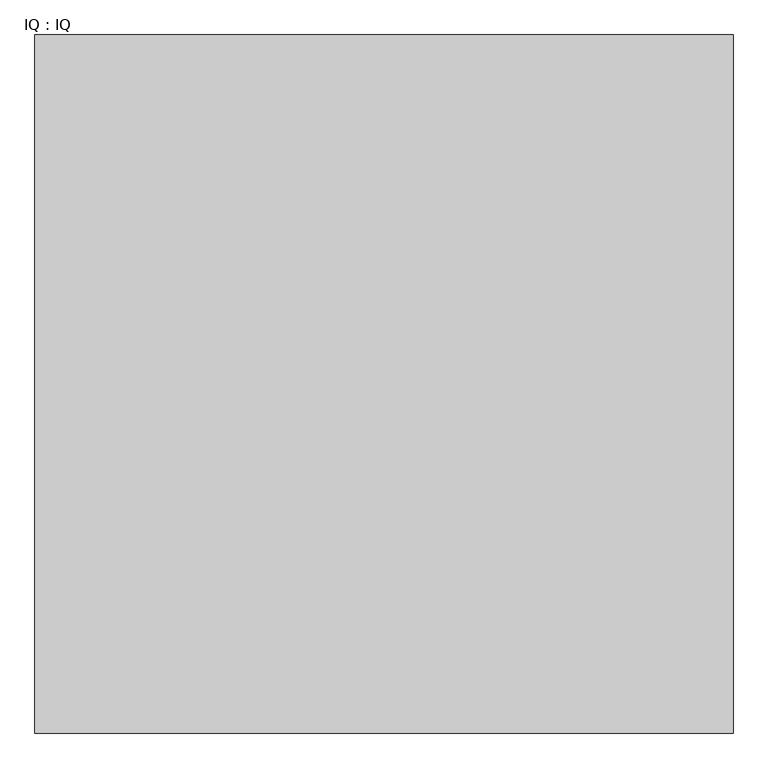
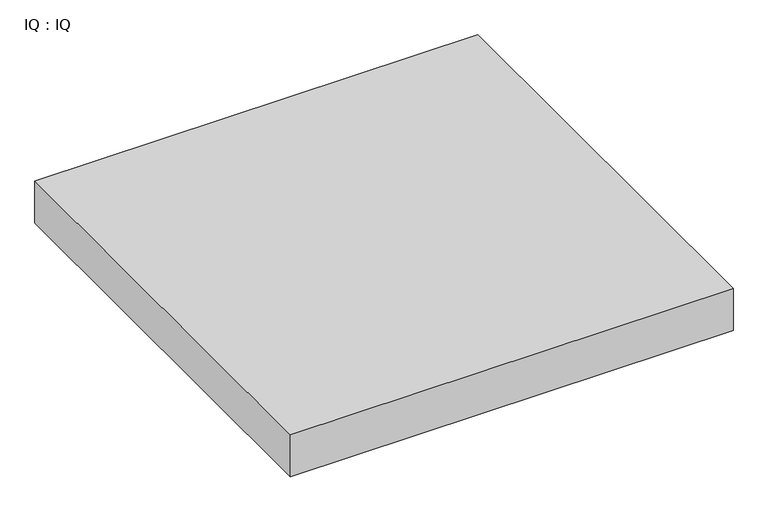
"""IFC4 building model written with IfcOpenShell, lengths in millimetres: proxy geometry, IQ : IQ."""

from ifc_helpers import new_model, si_unit, frame, origin, place, context, project, spatial, polyline, outline, extrude, source, transform, mapped, element, save


def iq_iq_30ce3a49(model_context):
    return source(origin(), model_context, "Body", "SweptSolid", [
        extrude(outline(polyline([(1000.0, 1000.0), (1000.0, 0.0), (0.0, 0.0), (0.0, 1000.0), (1000.0, 1000.0)])), frame((0.0, 0.0, 200.0), z_axis=(0.0, 0.0, 1.0), x_axis=(1.0, 0.0, 0.0)), (0.0, 0.0, 1.0), 100.0),
    ])


if __name__ == "__main__":
    model = new_model("IFC4")
    model_context = context("Model", 3, world=origin())
    ifc_project = project(units=[si_unit("LENGTHUNIT", "METRE", prefix="MILLI")], contexts=[model_context])
    site = spatial("IfcSite", under=ifc_project)
    building = spatial("IfcBuilding", under=site)
    placement = place(None, origin())
    iq_iq_shape = iq_iq_30ce3a49(model_context)
    element("IfcBuildingElementProxy", 1, Name="IQ : IQ", ObjectType="IQ : IQ", at=placement, inside=building, context=model_context, shape_type="MappedRepresentation", body=[
        mapped(iq_iq_shape, transform((0.0, 0.0, 0.0), x_axis=(1.0, 0.0, 0.0), y_axis=(0.0, 1.0, 0.0), z_axis=(0.0, 0.0, 1.0))),
    ])
    save(model, "model.ifc")
